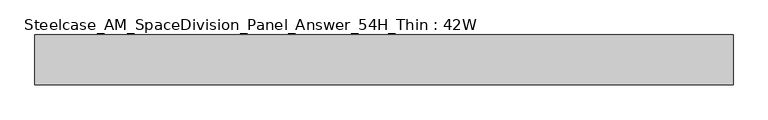
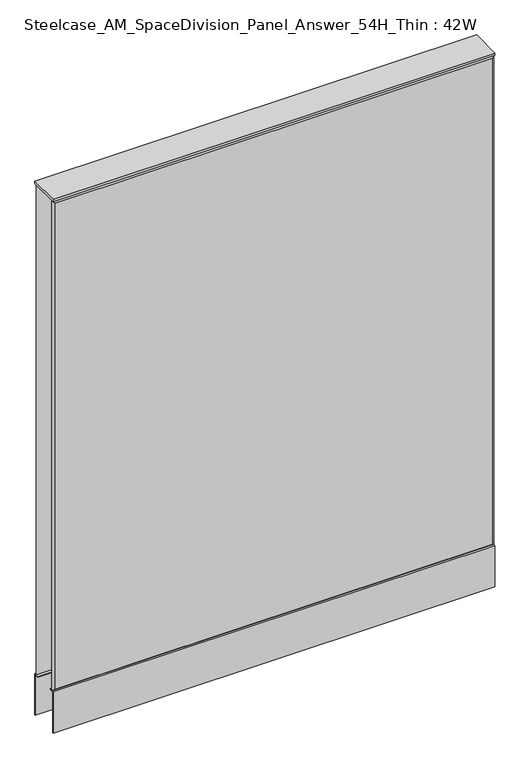
"""IFC4 building model written with IfcOpenShell, lengths in millimetres: furniture geometry, Steelcase_AM_SpaceDivision_Panel_Answer_54H_Thin : 42W."""

from ifc_helpers import new_model, si_unit, frame, origin, place, context, project, spatial, polyline, outline, extrude, faceted_brep, source, transform, mapped, element, save


def steelcase_am_spacedivision_panel_answer_54h_thin_42w_98b15f26(model_context):
    return source(origin(), model_context, "Body", "SolidModel", [
        extrude(outline(polyline([(-37.3075215, 119.8575157), (-37.3075215, 15.494), (-38.1000194, 15.494), (-38.1000194, 120.65), (-25.4000011, 120.65), (-25.4000011, 119.8575157), (-37.3075215, 119.8575157)])), frame((-533.4, 0.0, 0.0), z_axis=(1.0, 0.0, 0.0), x_axis=(0.0, 1.0, 0.0)), (0.0, 0.0, 1.0), 1066.8),
        extrude(outline(polyline([(37.3075215, 119.8575157), (25.4000011, 119.8575157), (25.4000011, 120.65), (38.1000194, 120.65), (38.1000194, 15.494), (37.3075215, 15.494), (37.3075215, 119.8575157)])), frame((-533.4, 0.0, 0.0), z_axis=(1.0, 0.0, 0.0), x_axis=(0.0, 1.0, 0.0)), (0.0, 0.0, 1.0), 1066.8),
        faceted_brep([(-528.574, -38.0960552, 1366.774), (-528.574, -38.0960552, 125.476), (528.574, -38.0960552, 125.476), (528.574, -38.0960552, 1366.774), (-533.4, -33.2700552, 1371.6), (533.4, -33.2700552, 1371.6), (533.4, -33.2700552, 120.65), (-533.4, -33.2700552, 120.65)], [[[0, 1, 2, 3]], [[4, 5, 6, 7]], [[4, 0, 3, 5]], [[5, 3, 2, 6]], [[6, 2, 1, 7]], [[7, 1, 0, 4]]]),
        faceted_brep([(528.574, 38.0960552, 1366.774), (528.574, 38.0960552, 125.476), (-528.574, 38.0960552, 125.476), (-528.574, 38.0960552, 1366.774), (533.4, 33.2700552, 1371.6), (-533.4, 33.2700552, 1371.6), (-533.4, 33.2700552, 120.65), (533.4, 33.2700552, 120.65)], [[[0, 1, 2, 3]], [[4, 5, 6, 7]], [[4, 0, 3, 5]], [[5, 3, 2, 6]], [[6, 2, 1, 7]], [[7, 1, 0, 4]]]),
        extrude(outline(polyline([(533.4, -38.1000194), (-533.4, -38.1000194), (-533.4, 38.1000194), (533.4, 38.1000194), (533.4, -38.1000194)])), frame((0.0, 0.0, 1371.6), z_axis=(0.0, 0.0, 1.0), x_axis=(1.0, 0.0, 0.0)), (0.0, 0.0, 1.0), 6.35),
    ])


if __name__ == "__main__":
    model = new_model("IFC4")
    model_context = context("Model", 3, world=origin())
    ifc_project = project(units=[si_unit("LENGTHUNIT", "METRE", prefix="MILLI")], contexts=[model_context])
    site = spatial("IfcSite", under=ifc_project)
    building = spatial("IfcBuilding", under=site)
    placement = place(None, origin())
    steelcase_am_spacedivision_panel_answer_54h_thin_42w_shape = steelcase_am_spacedivision_panel_answer_54h_thin_42w_98b15f26(model_context)
    element("IfcFurniture", 1, ObjectType="Steelcase_AM_SpaceDivision_Panel_Answer_54H_Thin : 42W", at=placement, inside=building, context=model_context, shape_type="MappedRepresentation", body=[
        mapped(steelcase_am_spacedivision_panel_answer_54h_thin_42w_shape, transform((0.0, 0.0, 0.0), x_axis=(1.0, 0.0, 0.0), y_axis=(0.0, 1.0, 0.0), z_axis=(0.0, 0.0, 1.0))),
    ])
    save(model, "model.ifc")
